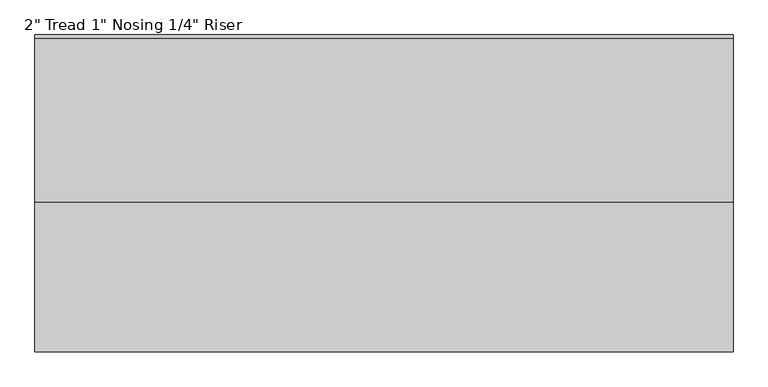
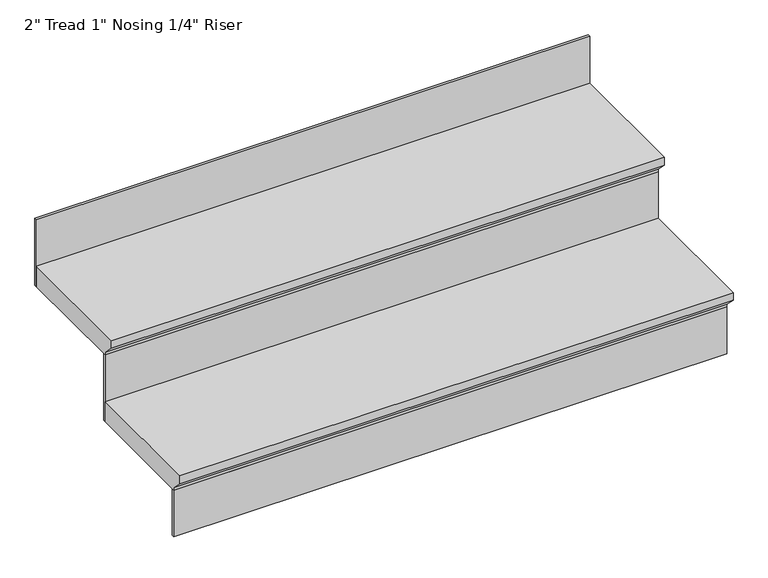
"""IFC4 building model written with IfcOpenShell, lengths in millimetres: stair flight geometry."""

from ifc_helpers import new_model, si_unit, frame, origin, place, context, project, spatial, polyline, outline, extrude, source, transform, mapped, element, save


def stair_flight_acb1d47c(model_context):
    return source(origin(), model_context, "Body", "SweptSolid", [
        extrude(outline(polyline([(-479.9851484, -333.3333333), (-175.1851484, -333.3333333), (-175.1851484, -384.1333333), (-454.5851484, -384.1333333), (-454.5851484, -377.7833333), (-479.9851484, -352.3833333), (-479.9851484, -333.3333333)])), frame((9829.49375, 0.0, 0.0), z_axis=(1.0, 0.0, 0.0), x_axis=(0.0, 1.0, 0.0)), (0.0, 0.0, 1.0), 1300.0),
        extrude(outline(polyline([(11129.49375, -448.2351484), (11129.49375, -454.5851484), (9829.49375, -454.5851484), (9829.49375, -448.2351484), (11129.49375, -448.2351484)])), frame((0.0, 0.0, -500.0), z_axis=(0.0, 0.0, 1.0), x_axis=(1.0, 0.0, 0.0)), (0.0, 0.0, 1.0), 115.8666667),
        extrude(outline(polyline([(-200.5851484, -166.6666667), (104.2148516, -166.6666667), (104.2148516, -217.4666667), (-175.1851484, -217.4666667), (-175.1851484, -211.1166667), (-200.5851484, -185.7166667), (-200.5851484, -166.6666667)])), frame((9829.49375, 0.0, 0.0), z_axis=(1.0, 0.0, 0.0), x_axis=(0.0, 1.0, 0.0)), (0.0, 0.0, 1.0), 1300.0),
        extrude(outline(polyline([(11129.49375, -168.8351484), (11129.49375, -175.1851484), (9829.49375, -175.1851484), (9829.49375, -168.8351484), (11129.49375, -168.8351484)])), frame((0.0, 0.0, -384.1333333), z_axis=(0.0, 0.0, 1.0), x_axis=(1.0, 0.0, 0.0)), (0.0, 0.0, 1.0), 166.6666667),
        extrude(outline(polyline([(11129.49375, 110.5648516), (11129.49375, 104.2148516), (9829.49375, 104.2148516), (9829.49375, 110.5648516), (11129.49375, 110.5648516)])), frame((0.0, 0.0, -217.4666667), z_axis=(0.0, 0.0, 1.0), x_axis=(1.0, 0.0, 0.0)), (0.0, 0.0, 1.0), 166.6666667),
    ])


if __name__ == "__main__":
    model = new_model("IFC4")
    model_context = context("Model", 3, world=origin())
    ifc_project = project(units=[si_unit("LENGTHUNIT", "METRE", prefix="MILLI")], contexts=[model_context])
    site = spatial("IfcSite", under=ifc_project)
    building = spatial("IfcBuilding", under=site)
    placement = place(None, origin())
    stair_flight_shape = stair_flight_acb1d47c(model_context)
    element("IfcStairFlight", 1, ObjectType="2\" Tread 1\" Nosing 1/4\" Riser", at=placement, inside=building, context=model_context, shape_type="MappedRepresentation", body=[
        mapped(stair_flight_shape, transform((0.0, 0.0, 0.0), x_axis=(1.0, 0.0, 0.0), y_axis=(0.0, 1.0, 0.0), z_axis=(0.0, 0.0, 1.0))),
    ])
    save(model, "model.ifc")
